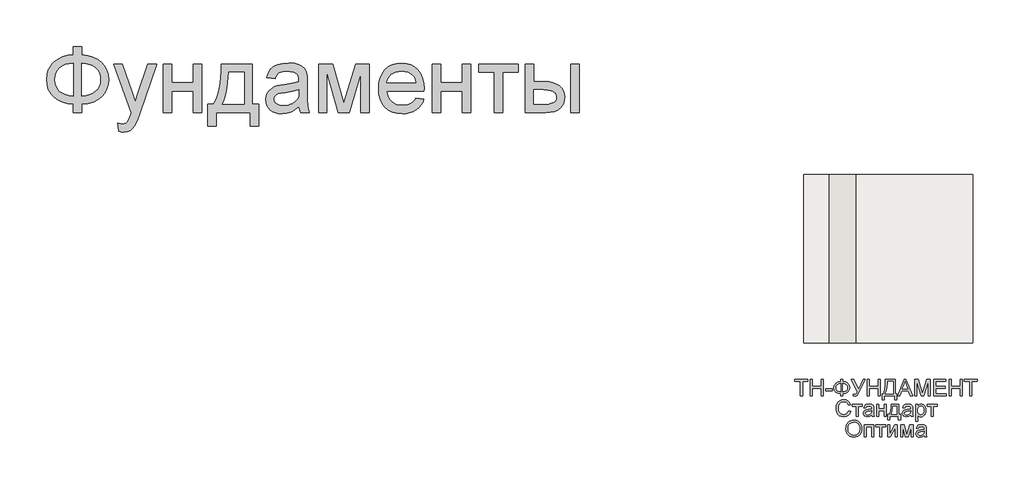
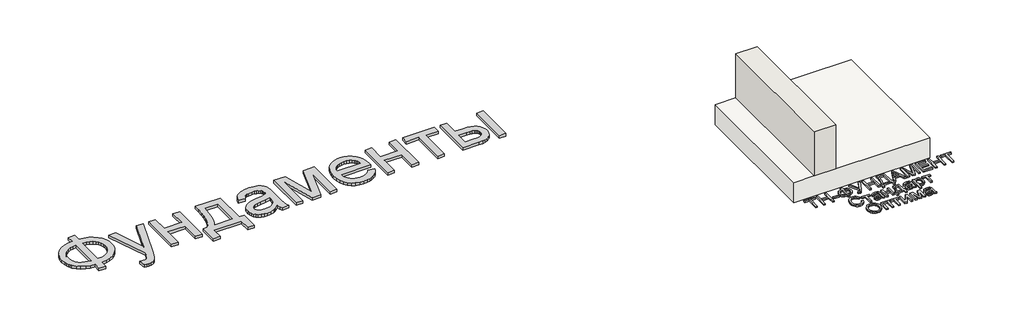
# One storey: 2 proxies, 1 slab, 1 wall.
"""IFC4 building model written with IfcOpenShell, lengths in millimetres."""

import ifcopenshell
import ifcopenshell.guid

model = None  # the IFC model being written
_history = None  # IfcOwnerHistory: only IFC2X3 demands one
_inside = {}  # id of a spatial element -> (the spatial element, [elements in it])
_under = {}  # id of a project, library or spatial element -> (it, [spatial elements below it])
_declared = {}  # id of a project -> (the project, [libraries it declares])
_typed = {}  # id of a type object -> (the type object, [elements of that type])
_made_of = {}  # id of a material, layer set ... -> (it, [elements and type objects made of it])


def new_model(schema):
    """Start an empty IFC model of exactly this schema.

    Asked for "IFC4X3", IfcOpenShell would pick the latest addendum, in which some entities
    have other attributes; the version numbers below select the first issue.
    IFC2X3 requires an IfcOwnerHistory on every rooted entity: one is made here for all.
    """
    global model, _history
    if schema == "IFC4X3":
        model = ifcopenshell.file(schema_version=(4, 3, 0, 0))
    else:
        model = ifcopenshell.file(schema=schema)
    _inside.clear()
    _under.clear()
    _declared.clear()
    _typed.clear()
    _made_of.clear()
    _history = None
    if model.schema == "IFC2X3":
        org = make("IfcOrganization", Name="unknown")
        user = make(
            "IfcPersonAndOrganization",
            ThePerson=make("IfcPerson", FamilyName="unknown"),
            TheOrganization=org,
        )
        app = make(
            "IfcApplication",
            ApplicationDeveloper=org,
            Version="unknown",
            ApplicationFullName="unknown",
            ApplicationIdentifier="unknown",
        )
        _history = make(
            "IfcOwnerHistory",
            OwningUser=user,
            OwningApplication=app,
            ChangeAction="ADDED",
            CreationDate=0,
        )
    return model


def make(cls, **values):
    """One entity of the class cls with the attributes given. An attribute that is None is left unset."""
    return model.create_entity(
        cls, **{name: value for name, value in values.items() if value is not None}
    )


def rooted(cls, **values):
    """An entity with a GlobalId (a new one), such as an element, a storey or a relation."""
    return make(cls, GlobalId=ifcopenshell.guid.new(), OwnerHistory=_history, **values)


def si_unit(unit_type, name, prefix=None):
    """IfcSIUnit, for example si_unit("LENGTHUNIT", "METRE", prefix="MILLI")."""
    return make("IfcSIUnit", UnitType=unit_type, Prefix=prefix, Name=name)


def assignment(units):
    """IfcUnitAssignment: the units of a project."""
    return None if units is None else make("IfcUnitAssignment", Units=units)


def point(xyz):
    """IfcCartesianPoint."""
    return None if xyz is None else make("IfcCartesianPoint", Coordinates=xyz)


def direction(xyz):
    """IfcDirection."""
    return None if xyz is None else make("IfcDirection", DirectionRatios=xyz)


def frame(location, z_axis=None, x_axis=None):
    """IfcAxis2Placement3D, a coordinate frame: its origin and axes. An axis left out is left unset."""
    return make(
        "IfcAxis2Placement3D",
        Location=point(location),
        Axis=direction(z_axis),
        RefDirection=direction(x_axis),
    )


def origin():
    """The frame at (0, 0, 0) with its axes left unset."""
    return frame((0.0, 0.0, 0.0))


def origin_with_axes():
    """The frame at (0, 0, 0) with the z axis (0, 0, 1) and the x axis (1, 0, 0) written out."""
    return frame((0.0, 0.0, 0.0), z_axis=(0.0, 0.0, 1.0), x_axis=(1.0, 0.0, 0.0))


def place(relative_to, where):
    """IfcLocalPlacement: puts the frame where relative to a parent placement (None: the world)."""
    return make(
        "IfcLocalPlacement", PlacementRelTo=relative_to, RelativePlacement=where
    )


def context(
    kind, dimensions, precision=None, world=None, true_north=None, identifier=None
):
    """IfcGeometricRepresentationContext, for example the 3D "Model" context."""
    return make(
        "IfcGeometricRepresentationContext",
        ContextIdentifier=identifier,
        ContextType=kind,
        CoordinateSpaceDimension=dimensions,
        Precision=precision,
        WorldCoordinateSystem=world,
        TrueNorth=true_north,
    )


def project(units=None, contexts=None):
    """IfcProject with its units and contexts."""
    return rooted(
        "IfcProject",
        Name="project",
        RepresentationContexts=contexts,
        UnitsInContext=assignment(units),
    )


def spatial(cls, under=None, at=None, **own):
    """A site, building, storey or space (cls), placed at a placement, below another one or the project."""
    s = rooted(cls, ObjectPlacement=at, **own)
    if under is not None:
        _under.setdefault(under.id(), (under, []))[1].append(s)
    return s


def polyline(points):
    """IfcPolyline through the points."""
    return make("IfcPolyline", Points=[point(p) for p in points])


def outline(outer, holes=None, kind="AREA"):
    """IfcArbitraryClosedProfileDef: a profile drawn as a closed curve; with holes, ...WithVoids."""
    if holes is None:
        return make("IfcArbitraryClosedProfileDef", ProfileType=kind, OuterCurve=outer)
    return make(
        "IfcArbitraryProfileDefWithVoids",
        ProfileType=kind,
        OuterCurve=outer,
        InnerCurves=holes,
    )


def extrude(swept, where, along, depth):
    """IfcExtrudedAreaSolid: the profile swept, set in the frame where, extruded along a direction by depth."""
    return make(
        "IfcExtrudedAreaSolid",
        SweptArea=swept,
        Position=where,
        ExtrudedDirection=direction(along),
        Depth=depth,
    )


def faces_of(points, faces, orient=None, outer=None):
    """IfcFace entities. A face is a list of loops; a loop is a list of indices into points, from 0.

    orient and outer hold one flag for each loop. By default every Orientation is true, the
    first loop of a face is its IfcFaceOuterBound and the others are IfcFaceBound.
    """
    made = []
    for i, loops in enumerate(faces):
        bounds = []
        for j, loop in enumerate(loops):
            is_outer = j == 0 if outer is None else outer[i][j]
            bounds.append(
                make(
                    "IfcFaceOuterBound" if is_outer else "IfcFaceBound",
                    Bound=make("IfcPolyLoop", Polygon=[points[k] for k in loop]),
                    Orientation=True if orient is None else orient[i][j],
                )
            )
        made.append(make("IfcFace", Bounds=bounds))
    return made


def faceted_brep(points, faces, orient=None, outer=None, voids=None):
    """IfcFacetedBrep: a solid bounded by flat faces; with voids (closed shells), ...WithVoids."""
    shared = [point(p) for p in points]
    hull = make("IfcClosedShell", CfsFaces=faces_of(shared, faces, orient, outer))
    if voids is None:
        return make("IfcFacetedBrep", Outer=hull)
    return make(
        "IfcFacetedBrepWithVoids",
        Outer=hull,
        Voids=[
            make(cls, CfsFaces=faces_of(shared, fs, o, b)) for cls, fs, o, b in voids
        ],
    )


def shape(context_of_items, identifier, shape_type, items):
    """IfcShapeRepresentation: the items that make up one representation, for example the "Body"."""
    return make(
        "IfcShapeRepresentation",
        ContextOfItems=context_of_items,
        RepresentationIdentifier=identifier,
        RepresentationType=shape_type,
        Items=items,
    )


def made_of(thing, what):
    """Note that an element or type object is made of a material, layer set ...; save() writes the relation."""
    if what is not None:
        _made_of.setdefault(what.id(), (what, []))[1].append(thing)
    return thing


def element(
    cls,
    number,
    at=None,
    inside=None,
    cuts=None,
    type_object=None,
    material=None,
    context=None,
    identifier="Body",
    shape_type=None,
    held_by="IfcProductDefinitionShape",
    body=None,
    shapes=None,
    **own,
):
    """One element of the class cls, such as IfcWall. Its Tag is "e" and its number.

    at: its placement. inside: the storey or other place that contains it. cuts: it is an
    opening in that element (IfcRelVoidsElement). A single representation is given by context,
    identifier, shape_type and body (its items); several are given by shapes. held_by: the class
    of the entity that holds the representations. save() writes the other relations.
    """
    e = rooted(cls, Tag="e%d" % number, ObjectPlacement=at, **own)
    if body is not None:
        shapes = [shape(context, identifier, shape_type, body)]
    if shapes is not None:
        e.Representation = make(held_by, Representations=shapes)
    if inside is not None:
        _inside.setdefault(inside.id(), (inside, []))[1].append(e)
    if cuts is not None:
        rooted(
            "IfcRelVoidsElement", RelatingBuildingElement=cuts, RelatedOpeningElement=e
        )
    if type_object is not None:
        _typed.setdefault(type_object.id(), (type_object, []))[1].append(e)
    return made_of(e, material)


def aggregate(whole, parts):
    """IfcRelAggregates: a whole, such as a stair, and the parts it consists of."""
    return rooted("IfcRelAggregates", RelatingObject=whole, RelatedObjects=parts)


def save(model, path):
    """Write the relations noted so far, then the file.

    IfcRelAggregates (storeys below a building ...), IfcRelContainedInSpatialStructure (elements
    in a storey), IfcRelDefinesByType, IfcRelAssociatesMaterial and IfcRelDeclares: one each for
    every whole, place, type object, material and project.
    """
    for whole, parts in _under.values():
        aggregate(whole, parts)
    for where, things in _inside.values():
        rooted(
            "IfcRelContainedInSpatialStructure",
            RelatedElements=things,
            RelatingStructure=where,
        )
    for kind, things in _typed.values():
        rooted("IfcRelDefinesByType", RelatedObjects=things, RelatingType=kind)
    for what, things in _made_of.values():
        rooted("IfcRelAssociatesMaterial", RelatedObjects=things, RelatingMaterial=what)
    for by, libraries in _declared.values():
        rooted("IfcRelDeclares", RelatingContext=by, RelatedDefinitions=libraries)
    model.write(path)


model = new_model("IFC4")

# Units and contexts
model_context = context("Model", 3, world=origin())
ifc_project = project(units=[si_unit("LENGTHUNIT", "METRE", prefix="MILLI")], contexts=[model_context])

# Site, building, storey
site = spatial("IfcSite", under=ifc_project)
building = spatial("IfcBuilding", under=site)
storey = spatial("IfcBuildingStorey", under=building, Elevation=0.0)

# Proxies
placement = place(None, origin())
element("IfcBuildingElementProxy", 1, Name="Generic Models", at=placement, inside=storey, context=model_context, shape_type="SweptSolid", body=[
    extrude(outline(polyline([(-1939.8736325, -26885.7211043), (-1939.8736325, -26787.7817103), (-1841.9342386, -26787.7817103), (-1841.9342386, -26885.7211043), (-1772.0723186, -26894.3529698), (-1709.9695132, -26912.2144755), (-1655.6258224, -26939.3056213), (-1609.0412461, -26975.6264073), (-1571.6743546, -27019.0607113), (-1544.9837177, -27067.4924111), (-1528.9693356, -27120.9215067), (-1523.6312083, -27179.3479982), (-1528.8019587, -27236.6028514), (-1544.3142102, -27289.3863505), (-1570.1679625, -27337.6984954), (-1606.3632158, -27381.5392861), (-1628.1416397, -27401.1761824), (-1652.1109076, -27418.4817577), (-1706.6219753, -27446.0989452), (-1769.896419, -27464.3908486), (-1841.9342386, -27473.3574679), (-1841.9342386, -27571.2968619), (-1939.8736325, -27571.2968619), (-1939.8736325, -27473.3574679), (-2005.3060425, -27466.0586398), (-2065.0237272, -27449.518216), (-2119.0266865, -27423.7361966), (-2167.3149204, -27388.7125816), (-2207.0669327, -27345.8939854), (-2222.6837947, -27322.10405), (-2235.4612272, -27296.7270228), (-2245.3992303, -27269.7629041), (-2252.4978039, -27241.2116938), (-2258.1766628, -27179.3479982), (-2252.5157371, -27117.2033486), (-2245.4395801, -27088.5878775), (-2235.5329602, -27061.6103088), (-2222.7958774, -27036.2706426), (-2207.2283318, -27012.5688789), (-2188.8303234, -26990.5050176), (-2167.6018522, -26970.0790588), (-2119.4032845, -26935.3961753), (-2065.382392, -26909.775555), (-2005.5391746, -26893.217198), (-1939.8736325, -26885.7211043)]), holes=[polyline([(-1841.9342386, -26983.6604982), (-1841.9342386, -27375.418074), (-1793.3949393, -27370.2234125), (-1750.3073446, -27359.2303372), (-1712.6714545, -27342.4388481), (-1680.4872689, -27319.8489452), (-1654.7112272, -27291.9627591), (-1636.2997689, -27259.2824206), (-1625.2528939, -27221.8079296), (-1621.5706022, -27179.5392861), (-1625.1871387, -27137.922217), (-1636.036748, -27100.872146), (-1654.1194303, -27068.389073), (-1679.4351855, -27040.4729982), (-1711.2905951, -27017.6977852), (-1748.9922405, -27000.6372975), (-1792.5401216, -26989.2915352), (-1841.9342386, -26983.6604982)]), polyline([(-1939.8736325, -26983.6604982), (-1986.781007, -26988.5861611), (-2028.989873, -26999.3461043), (-2066.5002305, -27015.9403278), (-2099.3120795, -27038.3688316), (-2125.9668498, -27066.2012179), (-2145.0059715, -27099.0070891), (-2156.4294445, -27136.7864452), (-2160.2372689, -27179.5392861), (-2156.4772665, -27221.9035735), (-2145.1972594, -27259.4737085), (-2126.3972476, -27292.2496909), (-2100.077231, -27320.231521), (-2067.5044919, -27342.8692459), (-2029.9463124, -27359.612913), (-1987.4026926, -27370.4625224), (-1939.8736325, -27375.418074), (-1939.8736325, -26983.6604982)])]), origin_with_axes(), (0.0, 0.0, 1.0), 40.0),
    extrude(outline(polyline([(-1401.2069658, -27791.6604982), (-1413.4493901, -27697.355574), (-1386.764731, -27703.8115399), (-1363.7145416, -27705.9635285), (-1337.5559242, -27703.2615872), (-1317.2315871, -27695.1557634), (-1301.4025151, -27682.2199206), (-1288.7296931, -27665.0279225), (-1261.9493901, -27592.9123922), (-1254.2978749, -27569.1926952), (-1462.4190871, -26995.9029225), (-1359.1236325, -26995.9029225), (-1248.7505264, -27315.35368), (-1210.3016628, -27443.1339831), (-1171.8527992, -27330.2741346), (-1058.4190871, -26995.9029225), (-955.888784, -26995.9029225), (-1156.1671931, -27585.0695891), (-1185.9124583, -27663.4019755), (-1208.1974961, -27712.8498922), (-1234.8343333, -27753.6420323), (-1265.0099961, -27781.9048164), (-1300.0634999, -27798.403396), (-1341.3338598, -27803.9029225), (-1369.6922878, -27800.8423164), (-1401.2069658, -27791.6604982)])), origin_with_axes(), (0.0, 0.0, 1.0), 40.0),
    extrude(outline(polyline([(-874.7827234, -26995.9029225), (-776.8433295, -26995.9029225), (-776.8433295, -27216.2665588), (-519.7524204, -27216.2665588), (-519.7524204, -26995.9029225), (-421.8130264, -26995.9029225), (-421.8130264, -27571.2968619), (-519.7524204, -27571.2968619), (-519.7524204, -27314.2059528), (-776.8433295, -27314.2059528), (-776.8433295, -27571.2968619), (-874.7827234, -27571.2968619), (-874.7827234, -26995.9029225)])), origin_with_axes(), (0.0, 0.0, 1.0), 40.0),
    extrude(outline(polyline([(-189.2069658, -26995.9029225), (178.0657614, -26995.9029225), (178.0657614, -27473.3574679), (251.5203069, -27473.3574679), (251.5203069, -27730.448377), (153.5809129, -27730.448377), (153.5809129, -27571.2968619), (-250.4190871, -27571.2968619), (-250.4190871, -27730.448377), (-348.358481, -27730.448377), (-348.358481, -27473.3574679), (-287.1463598, -27473.3574679), (-263.2293972, -27436.3970631), (-242.648017, -27392.9448259), (-225.4022192, -27343.0007563), (-211.4920037, -27286.5648543), (-200.9173707, -27223.6371199), (-193.67832, -27154.2175531), (-189.7748517, -27078.306154), (-189.2069658, -26995.9029225)]), holes=[polyline([(-103.5099961, -27093.8423164), (-111.5440871, -27213.7559054), (-126.4645416, -27316.979627), (-148.2713598, -27403.5134812), (-161.7571552, -27440.521708), (-176.9645416, -27473.3574679), (80.1263675, -27473.3574679), (80.1263675, -27093.8423164), (-103.5099961, -27093.8423164)])]), origin_with_axes(), (0.0, 0.0, 1.0), 40.0),
    extrude(outline(polyline([(728.9748523, -27497.8423164), (682.181055, -27537.964949), (658.2640924, -27552.8256261), (634.0004205, -27564.2192103), (583.3330436, -27578.7092672), (529.079019, -27583.5392861), (485.4713604, -27580.6341014), (447.2317179, -27571.9185475), (414.3600914, -27557.3926242), (386.8564811, -27537.0563316), (365.1393291, -27512.2008628), (349.6270777, -27484.1174111), (340.3197269, -27452.8059764), (337.2172766, -27418.2665588), (341.9038296, -27377.6657066), (355.9634887, -27340.7949679), (377.650752, -27309.2324679), (405.2201175, -27284.5563316), (437.619502, -27265.9057634), (473.796822, -27252.4199679), (558.5373523, -27237.6908013), (658.6765569, -27222.1964831), (728.4009887, -27204.0241346), (728.9748523, -27182.2173164), (727.2891279, -27158.4737085), (722.2319546, -27138.5080361), (713.8033325, -27122.3202994), (702.0032614, -27109.9104982), (681.6071914, -27097.5246081), (656.7636781, -27088.6775437), (627.4727217, -27083.369305), (593.734322, -27081.5998922), (535.391519, -27086.3103562), (512.8195493, -27092.1984362), (494.6472008, -27100.4417482), (479.7147908, -27111.6858888), (466.8626364, -27126.5764547), (456.0907378, -27145.1134457), (447.3990948, -27167.2968619), (349.4597008, -27155.0544376), (366.4604111, -27101.4938316), (378.0990829, -27079.0175058), (391.829966, -27059.4104982), (408.2448571, -27042.2782776), (427.9355531, -27027.2263126), (450.902054, -27014.2546033), (477.1443599, -27003.3631497), (537.3283088, -26988.5861611), (606.359322, -26983.6604982), (672.5688391, -26988.0122975), (725.0534508, -27001.0676952), (764.6261307, -27020.6986138), (792.0998523, -27044.7769755), (810.3200228, -27074.5461516), (822.1320493, -27111.2495134), (825.718697, -27145.1074679), (826.9142463, -27196.9464831), (826.9142463, -27318.7968619), (828.1576175, -27424.9377236), (831.8877311, -27488.94743), (839.2523145, -27531.0068524), (851.3990948, -27571.2968619), (753.4597008, -27571.2968619), (737.7740948, -27537.2476194), (728.9748523, -27497.8423164)]), holes=[polyline([(728.9748523, -27301.9635285), (663.171822, -27318.2708202), (570.9710645, -27331.9957255), (520.1602217, -27339.5037747), (486.7087539, -27347.8726194), (464.7823807, -27358.7282066), (448.546822, -27373.6964831), (438.5042084, -27391.6297217), (435.1566705, -27411.3801952), (436.9798831, -27426.599537), (442.4495209, -27440.5037747), (451.5655839, -27453.0929083), (464.328072, -27464.3669376), (480.6174305, -27473.6563552), (500.3141042, -27480.2916535), (549.9293978, -27485.5998922), (602.5335645, -27479.7417009), (626.5401932, -27472.4189618), (649.016519, -27462.167127), (686.7002311, -27436.2715304), (712.9066705, -27405.450271), (724.5274092, -27373.6964831), (728.4009887, -27329.700271), (728.9748523, -27301.9635285)])]), origin_with_axes(), (0.0, 0.0, 1.0), 40.0),
    extrude(outline(polyline([(961.5809129, -26995.9029225), (1130.1055342, -26995.9029225), (1259.9900039, -27456.5241346), (1400.0127311, -26995.9029225), (1561.4597008, -26995.9029225), (1561.4597008, -27571.2968619), (1463.5203069, -27571.2968619), (1463.5203069, -27107.9976194), (1322.7324281, -27571.2968619), (1194.1869736, -27571.2968619), (1059.5203069, -27085.8082255), (1059.5203069, -27571.2968619), (961.5809129, -27571.2968619), (961.5809129, -26995.9029225)])), origin_with_axes(), (0.0, 0.0, 1.0), 40.0),
    extrude(outline(polyline([(2111.2210645, -27399.9029225), (2207.2475796, -27412.1453467), (2192.5243907, -27450.6061658), (2172.6483845, -27484.4999869), (2147.6195611, -27513.8268098), (2117.4379205, -27538.5866346), (2082.4143055, -27558.2534196), (2042.8595588, -27572.3011232), (1998.7736805, -27580.7297454), (1950.1566705, -27583.5392861), (1889.3869025, -27578.6913339), (1835.2404773, -27564.1474774), (1787.717395, -27539.9077165), (1746.8176554, -27505.9720513), (1713.9280957, -27463.2849656), (1690.4355531, -27412.7909433), (1676.3400275, -27354.4899845), (1671.641519, -27288.3820891), (1676.3878495, -27220.0325389), (1690.626841, -27159.7888126), (1714.3584934, -27107.6509102), (1747.5828069, -27063.6188316), (1788.374947, -27028.6370607), (1834.8100796, -27003.6500816), (1886.8882046, -26988.6578941), (1944.609322, -26983.6604982), (2000.4713604, -26988.6459386), (2050.9892936, -27003.6022596), (2096.1631218, -27028.5294613), (2135.9928448, -27063.4275437), (2168.5058064, -27107.3639783), (2191.7293504, -27159.4062369), (2205.6634769, -27219.5543192), (2210.3081857, -27287.8082255), (2209.734322, -27314.2059528), (1769.5809129, -27314.2059528), (1775.2537941, -27353.2884575), (1786.5338012, -27387.5170323), (1803.4209343, -27416.8916772), (1825.9151932, -27441.4123922), (1852.773207, -27460.7444234), (1882.7516042, -27474.5530172), (1915.850385, -27482.8381734), (1952.0695493, -27485.5998922), (2004.1954963, -27480.4829414), (2048.0960645, -27465.1320891), (2066.9618315, -27453.3798401), (2083.7712539, -27438.590896), (2098.5243315, -27420.7652567), (2111.2210645, -27399.9029225)]), holes=[polyline([(1769.5809129, -27216.2665588), (2112.3687917, -27216.2665588), (2107.3355294, -27188.5537274), (2099.1221061, -27164.5231876), (2087.7285218, -27144.1749395), (2073.1547766, -27127.5089831), (2046.4462065, -27107.4237558), (2016.0553448, -27093.0771649), (1981.9821914, -27084.4692103), (1944.2267463, -27081.5998922), (1909.7889504, -27083.889369), (1878.2085171, -27090.7577994), (1849.4854466, -27102.2051834), (1823.6197387, -27118.231521), (1801.9145422, -27138.0955716), (1785.6730057, -27161.0560948), (1774.8951293, -27187.1130906), (1769.5809129, -27216.2665588)])]), origin_with_axes(), (0.0, 0.0, 1.0), 40.0),
    extrude(outline(polyline([(2308.2475796, -26995.9029225), (2406.1869736, -26995.9029225), (2406.1869736, -27216.2665588), (2663.2778826, -27216.2665588), (2663.2778826, -26995.9029225), (2761.2172766, -26995.9029225), (2761.2172766, -27571.2968619), (2663.2778826, -27571.2968619), (2663.2778826, -27314.2059528), (2406.1869736, -27314.2059528), (2406.1869736, -27571.2968619), (2308.2475796, -27571.2968619), (2308.2475796, -26995.9029225)])), origin_with_axes(), (0.0, 0.0, 1.0), 40.0),
    extrude(outline(polyline([(2859.1566705, -26995.9029225), (3324.3687917, -26995.9029225), (3324.3687917, -27093.8423164), (3140.7324281, -27093.8423164), (3140.7324281, -27571.2968619), (3042.7930342, -27571.2968619), (3042.7930342, -27093.8423164), (2859.1566705, -27093.8423164), (2859.1566705, -26995.9029225)])), origin_with_axes(), (0.0, 0.0, 1.0), 40.0),
    extrude(outline(polyline([(3948.7324281, -26995.9029225), (4046.671822, -26995.9029225), (4046.671822, -27571.2968619), (3948.7324281, -27571.2968619), (3948.7324281, -26995.9029225)])), origin_with_axes(), (0.0, 0.0, 1.0), 40.0),
    extrude(outline(polyline([(3410.0657614, -26995.9029225), (3508.0051554, -26995.9029225), (3508.0051554, -27204.0241346), (3629.0903826, -27204.0241346), (3684.8089551, -27207.0907184), (3733.7487633, -27216.2904698), (3775.9098074, -27231.6233888), (3811.2920872, -27253.0894755), (3839.2858727, -27279.9474892), (3859.2814338, -27311.4561895), (3871.2787704, -27347.6155763), (3875.2778826, -27388.4256497), (3871.924367, -27424.8361019), (3861.8638201, -27458.5087463), (3845.096242, -27489.443583), (3821.6216326, -27517.6406119), (3790.7824399, -27541.1152212), (3751.9211118, -27557.8827994), (3705.0376483, -27567.9433462), (3650.1320493, -27571.2968619), (3410.0657614, -27571.2968619), (3410.0657614, -26995.9029225)]), holes=[polyline([(3508.0051554, -27473.3574679), (3608.6225796, -27473.3574679), (3686.6202122, -27468.2166062), (3715.8274802, -27461.790529), (3738.5070493, -27452.794021), (3755.495804, -27441.0716606), (3767.6306289, -27426.4680266), (3774.9115237, -27408.983119), (3777.3384887, -27388.6169376), (3775.5391871, -27372.1542245), (3770.1412823, -27356.6240399), (3761.1447742, -27342.0263836), (3748.5496629, -27328.3612558), (3729.8094286, -27316.8122501), (3702.3775512, -27308.5629603), (3666.2540308, -27303.6133865), (3621.4388675, -27301.9635285), (3508.0051554, -27301.9635285), (3508.0051554, -27473.3574679)])]), origin_with_axes(), (0.0, 0.0, 1.0), 40.0),
])
element("IfcBuildingElementProxy", 2, Name="Generic Models", at=placement, inside=storey, context=model_context, shape_type="SweptSolid", body=[
    extrude(outline(polyline([(6665.8459778, -30929.3289166), (6665.8459778, -30757.0212243), (6601.2305932, -30757.0212243), (6601.2305932, -30732.4058397), (6755.076747, -30732.4058397), (6755.076747, -30757.0212243), (6690.4613624, -30757.0212243), (6690.4613624, -30929.3289166), (6665.8459778, -30929.3289166)])), origin_with_axes(), (0.0, 0.0, 1.0), 20.0),
    extrude(outline(polyline([(6782.7690547, -30929.3289166), (6782.7690547, -30732.4058397), (6807.3844394, -30732.4058397), (6807.3844394, -30812.4058397), (6911.999824, -30812.4058397), (6911.999824, -30732.4058397), (6936.6152086, -30732.4058397), (6936.6152086, -30929.3289166), (6911.999824, -30929.3289166), (6911.999824, -30837.0212243), (6807.3844394, -30837.0212243), (6807.3844394, -30929.3289166), (6782.7690547, -30929.3289166)])), origin_with_axes(), (0.0, 0.0, 1.0), 20.0),
    extrude(outline(polyline([(6964.3075163, -30870.8673782), (6964.3075163, -30846.2519936), (7041.2305932, -30846.2519936), (7041.2305932, -30870.8673782), (6964.3075163, -30870.8673782)])), origin_with_axes(), (0.0, 0.0, 1.0), 20.0),
    extrude(outline(polyline([(7142.7690547, -30757.0212243), (7142.7690547, -30732.4058397), (7167.3844394, -30732.4058397), (7167.3844394, -30757.0212243), (7200.5515067, -30763.6798782), (7225.9180932, -30779.6173782), (7242.0178528, -30802.7063205), (7247.3844394, -30830.8193012), (7242.186122, -30858.4755512), (7226.5911701, -30881.6366089), (7201.3928528, -30897.8625705), (7167.3844394, -30904.713532), (7167.3844394, -30929.3289166), (7142.7690547, -30929.3289166), (7142.7690547, -30904.713532), (7111.3147278, -30898.7219455), (7085.6055932, -30883.4394936), (7075.6146076, -30872.6777748), (7068.4781894, -30860.3205032), (7062.7690547, -30830.8193012), (7068.4601605, -30801.2279551), (7075.5740427, -30788.9022339), (7085.5334778, -30778.2231474), (7111.2245836, -30763.0668974), (7142.7690547, -30757.0212243)]), holes=[polyline([(7142.7690547, -30781.6366089), (7120.3712182, -30785.5789166), (7102.6969394, -30795.3866089), (7091.2125644, -30810.6269936), (7087.3844394, -30830.8673782), (7091.1644874, -30850.9575224), (7102.5046317, -30866.2279551), (7120.1308336, -30876.1257916), (7142.7690547, -30880.0981474), (7142.7690547, -30781.6366089)]), polyline([(7167.3844394, -30781.6366089), (7167.3844394, -30880.0981474), (7190.4132855, -30876.0296378), (7207.9613624, -30866.1318012), (7219.0671317, -30850.9094455), (7222.7690547, -30830.8673782), (7219.1332374, -30811.0957436), (7208.2257855, -30795.9154551), (7190.7438144, -30785.9034359), (7167.3844394, -30781.6366089)])]), origin_with_axes(), (0.0, 0.0, 1.0), 20.0),
    extrude(outline(polyline([(7267.3844394, -30732.4058397), (7294.6440547, -30732.4058397), (7353.5382855, -30849.0404551), (7406.5190547, -30732.4058397), (7433.5382855, -30732.4058397), (7358.7786701, -30885.8193012), (7338.4421317, -30923.5116089), (7328.7906894, -30930.182282), (7315.701747, -30932.4058397), (7293.5382855, -30929.3289166), (7293.5382855, -30907.7904551), (7312.9132855, -30907.7904551), (7327.2882855, -30902.3096859), (7340.6055932, -30877.3577628), (7267.3844394, -30732.4058397)])), origin_with_axes(), (0.0, 0.0, 1.0), 20.0),
    extrude(outline(polyline([(7456.6152086, -30929.3289166), (7456.6152086, -30732.4058397), (7481.2305932, -30732.4058397), (7481.2305932, -30812.4058397), (7585.8459778, -30812.4058397), (7585.8459778, -30732.4058397), (7610.4613624, -30732.4058397), (7610.4613624, -30929.3289166), (7585.8459778, -30929.3289166), (7585.8459778, -30837.0212243), (7481.2305932, -30837.0212243), (7481.2305932, -30929.3289166), (7456.6152086, -30929.3289166)])), origin_with_axes(), (0.0, 0.0, 1.0), 20.0),
    extrude(outline(polyline([(7671.999824, -30732.4058397), (7788.9229009, -30732.4058397), (7788.9229009, -30904.713532), (7807.3844394, -30904.713532), (7807.3844394, -30975.4827628), (7782.7690547, -30975.4827628), (7782.7690547, -30929.3289166), (7656.6152086, -30929.3289166), (7656.6152086, -30975.4827628), (7631.999824, -30975.4827628), (7631.999824, -30904.713532), (7647.3844394, -30904.713532), (7658.1536701, -30882.3848061), (7665.8459778, -30850.9755512), (7670.4613624, -30810.4857676), (7671.999824, -30760.9154551), (7671.999824, -30732.4058397)]), holes=[polyline([(7764.3075163, -30757.0212243), (7696.6152086, -30757.0212243), (7696.6152086, -30766.9250705), (7691.6152086, -30834.3769936), (7684.2113624, -30873.3553589), (7671.999824, -30904.713532), (7764.3075163, -30904.713532), (7764.3075163, -30757.0212243)])]), origin_with_axes(), (0.0, 0.0, 1.0), 20.0),
    extrude(outline(polyline([(7815.2209778, -30929.3289166), (7893.826747, -30732.4058397), (7914.7882855, -30732.4058397), (7993.3940547, -30929.3289166), (7967.3844394, -30929.3289166), (7944.8363624, -30867.7904551), (7863.7305932, -30867.7904551), (7841.2305932, -30929.3289166), (7815.2209778, -30929.3289166)]), holes=[polyline([(7872.7690547, -30843.1750705), (7935.8459778, -30843.1750705), (7918.1055932, -30794.7616089), (7904.3075163, -30757.0212243), (7892.0479009, -30790.5308397), (7872.7690547, -30843.1750705)])]), origin_with_axes(), (0.0, 0.0, 1.0), 20.0),
    extrude(outline(polyline([(8019.6921317, -30929.3289166), (8019.6921317, -30732.4058397), (8062.0479009, -30732.4058397), (8102.3363624, -30871.2039166), (8110.4613624, -30900.1943012), (8119.2594394, -30868.8000705), (8158.874824, -30732.4058397), (8201.2305932, -30732.4058397), (8201.2305932, -30929.3289166), (8176.6152086, -30929.3289166), (8176.6152086, -30757.0212243), (8127.1440547, -30929.3289166), (8093.7786701, -30929.3289166), (8044.3075163, -30757.0212243), (8044.3075163, -30929.3289166), (8019.6921317, -30929.3289166)])), origin_with_axes(), (0.0, 0.0, 1.0), 20.0),
    extrude(outline(polyline([(8244.3075163, -30929.3289166), (8244.3075163, -30732.4058397), (8385.8459778, -30732.4058397), (8385.8459778, -30757.0212243), (8268.9229009, -30757.0212243), (8268.9229009, -30815.4827628), (8379.6921317, -30815.4827628), (8379.6921317, -30840.0981474), (8268.9229009, -30840.0981474), (8268.9229009, -30904.713532), (8388.9229009, -30904.713532), (8388.9229009, -30929.3289166), (8244.3075163, -30929.3289166)])), origin_with_axes(), (0.0, 0.0, 1.0), 20.0),
    extrude(outline(polyline([(8425.8459778, -30929.3289166), (8425.8459778, -30732.4058397), (8450.4613624, -30732.4058397), (8450.4613624, -30812.4058397), (8555.076747, -30812.4058397), (8555.076747, -30732.4058397), (8579.6921317, -30732.4058397), (8579.6921317, -30929.3289166), (8555.076747, -30929.3289166), (8555.076747, -30837.0212243), (8450.4613624, -30837.0212243), (8450.4613624, -30929.3289166), (8425.8459778, -30929.3289166)])), origin_with_axes(), (0.0, 0.0, 1.0), 20.0),
    extrude(outline(polyline([(8671.999824, -30929.3289166), (8671.999824, -30757.0212243), (8607.3844394, -30757.0212243), (8607.3844394, -30732.4058397), (8761.2305932, -30732.4058397), (8761.2305932, -30757.0212243), (8696.6152086, -30757.0212243), (8696.6152086, -30929.3289166), (8671.999824, -30929.3289166)])), origin_with_axes(), (0.0, 0.0, 1.0), 20.0),
    extrude(outline(polyline([(7235.076747, -31102.4058397), (7259.6921317, -31108.7519936), (7248.3339586, -31137.4358878), (7230.5094394, -31158.3914166), (7207.0959778, -31171.2099262), (7178.9709778, -31175.4827628), (7150.4192951, -31172.2495897), (7127.7450163, -31162.5500705), (7110.3652086, -31146.7207436), (7097.6969394, -31125.0981474), (7089.9625644, -31099.6774743), (7087.3844394, -31072.4539166), (7090.2991028, -31043.7399743), (7099.0430932, -31018.9443012), (7113.1596797, -30998.854157), (7132.1921317, -30984.2568012), (7154.764247, -30975.3685801), (7179.499824, -30972.4058397), (7206.4890067, -30976.2399743), (7228.8027086, -30987.7423782), (7245.7438144, -31006.2039166), (7256.6152086, -31030.9154551), (7231.999824, -31036.7808397), (7223.4661701, -31018.8301186), (7211.8075163, -31006.5164166), (7196.8796317, -30999.3950224), (7178.5382855, -30997.0212243), (7157.3964586, -30999.6534359), (7140.0286701, -31007.5500705), (7126.8495836, -31019.8818012), (7118.2738624, -31035.8193012), (7113.5683336, -31053.8361282), (7111.999824, -31072.4058397), (7113.8567951, -31095.1462243), (7119.4277086, -31114.8096859), (7128.9229009, -31130.6450224), (7142.5527086, -31141.901032), (7158.8928528, -31148.6257916), (7176.5190547, -31150.8673782), (7197.0659297, -31147.8144936), (7214.187324, -31138.6558397), (7227.1140067, -31123.4875705), (7235.076747, -31102.4058397)])), origin_with_axes(), (0.0, 0.0, 1.0), 20.0),
    extrude(outline(polyline([(7278.1536701, -31027.7904551), (7395.076747, -31027.7904551), (7395.076747, -31052.4058397), (7348.9229009, -31052.4058397), (7348.9229009, -31172.4058397), (7324.3075163, -31172.4058397), (7324.3075163, -31052.4058397), (7278.1536701, -31052.4058397), (7278.1536701, -31027.7904551)])), origin_with_axes(), (0.0, 0.0, 1.0), 20.0),
    extrude(outline(polyline([(7508.9229009, -31153.9443012), (7485.0527086, -31170.6269936), (7458.6825163, -31175.4827628), (7438.1116028, -31172.5620897), (7422.937324, -31163.8000705), (7413.5803528, -31150.494782), (7410.4613624, -31133.9443012), (7415.1729009, -31114.4731474), (7427.5527086, -31100.338532), (7444.7882855, -31092.2616089), (7466.0863624, -31088.5596859), (7508.7786701, -31080.0981474), (7508.9229009, -31074.6173782), (7507.2281894, -31063.6318012), (7502.1440547, -31056.4443012), (7490.7738624, -31051.1077628), (7474.9325163, -31049.3289166), (7450.0286701, -31054.0644936), (7443.045497, -31060.6330032), (7438.1536701, -31070.8673782), (7413.5382855, -31067.7904551), (7424.187324, -31043.7519936), (7433.2618432, -31035.6630512), (7445.6296317, -31029.6654551), (7478.1055932, -31024.713532), (7507.937324, -31029.088532), (7524.7882855, -31040.0741089), (7532.3363624, -31056.7808397), (7533.5382855, -31078.3193012), (7533.5382855, -31108.9443012), (7534.7882855, -31151.7087243), (7539.6921317, -31172.4058397), (7515.076747, -31172.4058397), (7508.9229009, -31153.9443012)]), holes=[polyline([(7508.9229009, -31104.713532), (7469.2113624, -31112.2616089), (7448.0334778, -31116.2519936), (7438.4421317, -31122.7423782), (7435.076747, -31132.213532), (7436.9096797, -31139.5332436), (7442.4084778, -31145.5308397), (7451.452949, -31149.5332436), (7463.9229009, -31150.8673782), (7477.1440547, -31149.3950224), (7488.826747, -31144.9779551), (7504.8844394, -31130.7231474), (7508.7786701, -31111.6846859), (7508.9229009, -31104.713532)])]), origin_with_axes(), (0.0, 0.0, 1.0), 20.0),
    extrude(outline(polyline([(7567.3844394, -31027.7904551), (7591.999824, -31027.7904551), (7591.999824, -31083.1750705), (7656.6152086, -31083.1750705), (7656.6152086, -31027.7904551), (7681.2305932, -31027.7904551), (7681.2305932, -31172.4058397), (7656.6152086, -31172.4058397), (7656.6152086, -31107.7904551), (7591.999824, -31107.7904551), (7591.999824, -31172.4058397), (7567.3844394, -31172.4058397), (7567.3844394, -31027.7904551)])), origin_with_axes(), (0.0, 0.0, 1.0), 20.0),
    extrude(outline(polyline([(7739.6921317, -31027.7904551), (7831.999824, -31027.7904551), (7831.999824, -31147.7904551), (7850.4613624, -31147.7904551), (7850.4613624, -31212.4058397), (7825.8459778, -31212.4058397), (7825.8459778, -31172.4058397), (7724.3075163, -31172.4058397), (7724.3075163, -31212.4058397), (7699.6921317, -31212.4058397), (7699.6921317, -31147.7904551), (7715.076747, -31147.7904551), (7726.2606413, -31127.5801186), (7734.0911701, -31100.8433397), (7738.5683336, -31067.5801186), (7739.6921317, -31027.7904551)]), holes=[polyline([(7761.2305932, -31052.4058397), (7755.4613624, -31108.4875705), (7742.7690547, -31147.7904551), (7807.3844394, -31147.7904551), (7807.3844394, -31052.4058397), (7761.2305932, -31052.4058397)])]), origin_with_axes(), (0.0, 0.0, 1.0), 20.0),
    extrude(outline(polyline([(7970.4613624, -31153.9443012), (7946.5911701, -31170.6269936), (7920.2209778, -31175.4827628), (7899.6500644, -31172.5620897), (7884.4757855, -31163.8000705), (7875.1188144, -31150.494782), (7871.999824, -31133.9443012), (7876.7113624, -31114.4731474), (7889.0911701, -31100.338532), (7906.326747, -31092.2616089), (7927.624824, -31088.5596859), (7970.3171317, -31080.0981474), (7970.4613624, -31074.6173782), (7968.7666509, -31063.6318012), (7963.6825163, -31056.4443012), (7952.312324, -31051.1077628), (7936.4709778, -31049.3289166), (7911.5671317, -31054.0644936), (7904.5839586, -31060.6330032), (7899.6921317, -31070.8673782), (7875.076747, -31067.7904551), (7885.7257855, -31043.7519936), (7894.8003047, -31035.6630512), (7907.1680932, -31029.6654551), (7939.6440547, -31024.713532), (7969.4757855, -31029.088532), (7986.326747, -31040.0741089), (7993.874824, -31056.7808397), (7995.076747, -31078.3193012), (7995.076747, -31108.9443012), (7996.326747, -31151.7087243), (8001.2305932, -31172.4058397), (7976.6152086, -31172.4058397), (7970.4613624, -31153.9443012)]), holes=[polyline([(7970.4613624, -31104.713532), (7930.749824, -31112.2616089), (7909.5719394, -31116.2519936), (7899.9805932, -31122.7423782), (7896.6152086, -31132.213532), (7898.4481413, -31139.5332436), (7903.9469394, -31145.5308397), (7912.9914105, -31149.5332436), (7925.4613624, -31150.8673782), (7938.6825163, -31149.3950224), (7950.3652086, -31144.9779551), (7966.4229009, -31130.7231474), (7970.3171317, -31111.6846859), (7970.4613624, -31104.713532)])]), origin_with_axes(), (0.0, 0.0, 1.0), 20.0),
    extrude(outline(polyline([(8028.9229009, -31227.7904551), (8028.9229009, -31027.7904551), (8053.5382855, -31027.7904551), (8053.5382855, -31051.9250705), (8070.5575163, -31031.5164166), (8081.0382855, -31026.4142532), (8093.5382855, -31024.713532), (8110.1849201, -31027.0933397), (8124.7402086, -31034.2327628), (8136.5911701, -31045.6991089), (8145.124824, -31061.0596859), (8150.281074, -31079.1967051), (8151.999824, -31098.9923782), (8150.0587182, -31120.0440609), (8144.2354009, -31138.8721859), (8134.7161701, -31154.5212243), (8121.687324, -31166.0356474), (8106.5130451, -31173.1209839), (8090.5575163, -31175.4827628), (8079.2414105, -31173.9022339), (8069.139247, -31169.1606474), (8053.5382855, -31153.1750705), (8053.5382855, -31227.7904551), (8028.9229009, -31227.7904551)]), holes=[polyline([(8053.5382855, -31101.2519936), (8056.2005451, -31123.3193012), (8064.187324, -31138.7519936), (8075.9721797, -31147.838532), (8090.0286701, -31150.8673782), (8104.3135259, -31147.7303589), (8116.3988624, -31138.3193012), (8124.6380451, -31122.3217051), (8127.3844394, -31099.4250705), (8124.7041509, -31077.4779551), (8116.6632855, -31061.8289166), (8104.8964586, -31052.4539166), (8091.0382855, -31049.3289166), (8077.1260259, -31052.6522339), (8064.9084778, -31062.6221859), (8056.3808336, -31078.9262724), (8053.5382855, -31101.2519936)])]), origin_with_axes(), (0.0, 0.0, 1.0), 20.0),
    extrude(outline(polyline([(8167.3844394, -31027.7904551), (8284.3075163, -31027.7904551), (8284.3075163, -31052.4058397), (8238.1536701, -31052.4058397), (8238.1536701, -31172.4058397), (8213.5382855, -31172.4058397), (8213.5382855, -31052.4058397), (8167.3844394, -31052.4058397), (8167.3844394, -31027.7904551)])), origin_with_axes(), (0.0, 0.0, 1.0), 20.0),
    extrude(outline(polyline([(7204.3075163, -31319.6173782), (7205.9481413, -31296.5194214), (7210.8700163, -31276.0717051), (7219.0731413, -31258.2742291), (7230.5575163, -31243.1269936), (7244.6350403, -31231.0326426), (7260.6176124, -31222.3938205), (7278.5052326, -31217.2105272), (7298.2979009, -31215.4827628), (7324.1272278, -31218.7279551), (7347.2882855, -31228.463532), (7366.5190547, -31244.0043974), (7380.5575163, -31264.6654551), (7389.139247, -31289.4491089), (7391.999824, -31317.3577628), (7388.9890067, -31345.6390128), (7379.9565547, -31370.7712243), (7365.4012663, -31391.4683397), (7345.8219394, -31406.4443012), (7322.859199, -31415.5308397), (7298.1536701, -31418.5596859), (7271.9277086, -31415.2123301), (7248.6344394, -31405.1702628), (7229.451747, -31389.3409359), (7215.5575163, -31368.6318012), (7207.1200163, -31344.8036762), (7204.3075163, -31319.6173782)]), holes=[polyline([(7228.9229009, -31319.8577628), (7233.8447759, -31350.6630512), (7248.6104009, -31374.1366089), (7270.8039105, -31388.9923782), (7298.0094394, -31393.9443012), (7325.6116028, -31388.9443012), (7347.8411701, -31373.9443012), (7356.3913504, -31362.8956234), (7362.498622, -31349.7495897), (7367.3844394, -31317.1654551), (7365.2930932, -31295.3745897), (7359.0190547, -31276.5404551), (7348.7245836, -31261.1378109), (7334.5719394, -31249.6414166), (7317.498622, -31242.4839647), (7298.4421317, -31240.0981474), (7271.9637663, -31244.6955032), (7249.451747, -31258.4875705), (7240.4703769, -31269.2192412), (7234.0551124, -31283.0248301), (7228.9229009, -31319.8577628)])]), origin_with_axes(), (0.0, 0.0, 1.0), 20.0),
    extrude(outline(polyline([(7422.7690547, -31270.8673782), (7533.5382855, -31270.8673782), (7533.5382855, -31415.4827628), (7508.9229009, -31415.4827628), (7508.9229009, -31295.4827628), (7447.3844394, -31295.4827628), (7447.3844394, -31415.4827628), (7422.7690547, -31415.4827628), (7422.7690547, -31270.8673782)])), origin_with_axes(), (0.0, 0.0, 1.0), 20.0),
    extrude(outline(polyline([(7558.1536701, -31270.8673782), (7675.076747, -31270.8673782), (7675.076747, -31295.4827628), (7628.9229009, -31295.4827628), (7628.9229009, -31415.4827628), (7604.3075163, -31415.4827628), (7604.3075163, -31295.4827628), (7558.1536701, -31295.4827628), (7558.1536701, -31270.8673782)])), origin_with_axes(), (0.0, 0.0, 1.0), 20.0),
    extrude(outline(polyline([(7696.6152086, -31270.8673782), (7721.2305932, -31270.8673782), (7721.2305932, -31381.1558397), (7781.7113624, -31270.8673782), (7813.5382855, -31270.8673782), (7813.5382855, -31415.4827628), (7788.9229009, -31415.4827628), (7788.9229009, -31305.8673782), (7728.826747, -31415.4827628), (7696.6152086, -31415.4827628), (7696.6152086, -31270.8673782)])), origin_with_axes(), (0.0, 0.0, 1.0), 20.0),
    extrude(outline(polyline([(7850.4613624, -31270.8673782), (7892.8171317, -31270.8673782), (7925.4613624, -31386.6366089), (7960.6536701, -31270.8673782), (8001.2305932, -31270.8673782), (8001.2305932, -31415.4827628), (7976.6152086, -31415.4827628), (7976.6152086, -31299.0404551), (7941.2305932, -31415.4827628), (7908.9229009, -31415.4827628), (7875.076747, -31293.463532), (7875.076747, -31415.4827628), (7850.4613624, -31415.4827628), (7850.4613624, -31270.8673782)])), origin_with_axes(), (0.0, 0.0, 1.0), 20.0),
    extrude(outline(polyline([(8130.4613624, -31397.0212243), (8106.5911701, -31413.7039166), (8080.2209778, -31418.5596859), (8059.6500644, -31415.6390128), (8044.4757855, -31406.8769936), (8035.1188144, -31393.5717051), (8031.999824, -31377.0212243), (8036.7113624, -31357.5500705), (8049.0911701, -31343.4154551), (8066.326747, -31335.338532), (8087.624824, -31331.6366089), (8130.3171317, -31323.1750705), (8130.4613624, -31317.6943012), (8128.7666509, -31306.7087243), (8123.6825163, -31299.5212243), (8112.312324, -31294.1846859), (8096.4709778, -31292.4058397), (8071.5671317, -31297.1414166), (8064.5839586, -31303.7099262), (8059.6921317, -31313.9443012), (8035.076747, -31310.8673782), (8045.7257855, -31286.8289166), (8054.8003047, -31278.7399743), (8067.1680932, -31272.7423782), (8099.6440547, -31267.7904551), (8129.4757855, -31272.1654551), (8146.326747, -31283.151032), (8153.874824, -31299.8577628), (8155.076747, -31321.3962243), (8155.076747, -31352.0212243), (8156.326747, -31394.7856474), (8161.2305932, -31415.4827628), (8136.6152086, -31415.4827628), (8130.4613624, -31397.0212243)]), holes=[polyline([(8130.4613624, -31347.7904551), (8090.749824, -31355.338532), (8069.5719394, -31359.3289166), (8059.9805932, -31365.8193012), (8056.6152086, -31375.2904551), (8058.4481413, -31382.6101666), (8063.9469394, -31388.6077628), (8072.9914105, -31392.6101666), (8085.4613624, -31393.9443012), (8098.6825163, -31392.4719455), (8110.3652086, -31388.0548782), (8126.4229009, -31373.8000705), (8130.3171317, -31354.7616089), (8130.4613624, -31347.7904551)])]), origin_with_axes(), (0.0, 0.0, 1.0), 20.0),
])

# Slab
element("IfcSlab", 3, at=placement, inside=storey, context=model_context, shape_type="Brep", body=[
    faceted_brep([(6706.3955952, -28302.6148653, -314.0), (8706.3955952, -28302.6148653, -314.0), (8706.3955952, -30302.6148653, -314.0), (6706.3955952, -30302.6148653, -314.0), (6706.3955952, -28302.6148653, 0.0), (6706.3955952, -30302.6148653, 0.0), (7004.8955952, -30302.6148653, 0.0), (7318.8955952, -30302.6148653, 0.0), (8706.3955952, -30302.6148653, 0.0), (8706.3955952, -28302.6148653, 0.0), (7318.8955952, -28302.6148653, 0.0), (7004.8955952, -28302.6148653, 0.0)], [[[0, 1, 2, 3]], [[4, 5, 6, 7, 8, 9, 10, 11]], [[1, 0, 4, 11, 10, 9]], [[2, 1, 9, 8]], [[3, 2, 8, 7, 6, 5]], [[0, 3, 5, 4]]]),
])

# Wall
element("IfcWall", 4, at=placement, inside=storey, context=model_context, shape_type="SweptSolid", body=[
    extrude(outline(polyline([(7004.8955952, -30302.6148653), (7004.8955952, -28302.6148653), (7318.8955952, -28302.6148653), (7318.8955952, -30302.6148653), (7004.8955952, -30302.6148653)])), origin_with_axes(), (0.0, 0.0, 1.0), 689.0),
])

save(model, "model.ifc")
